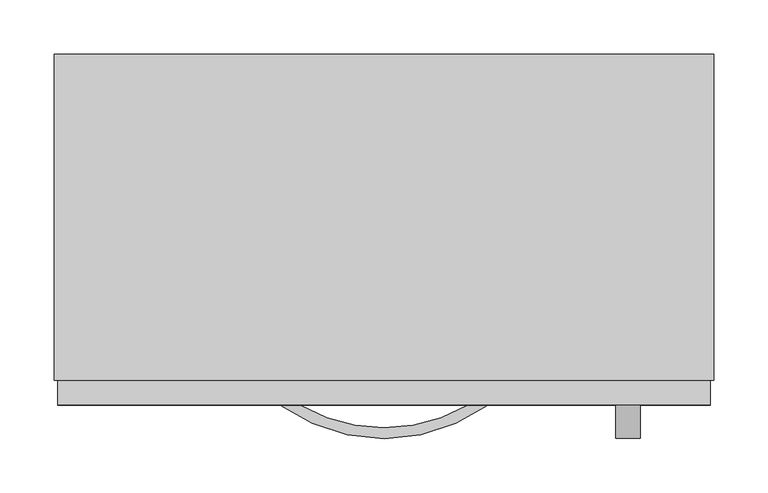
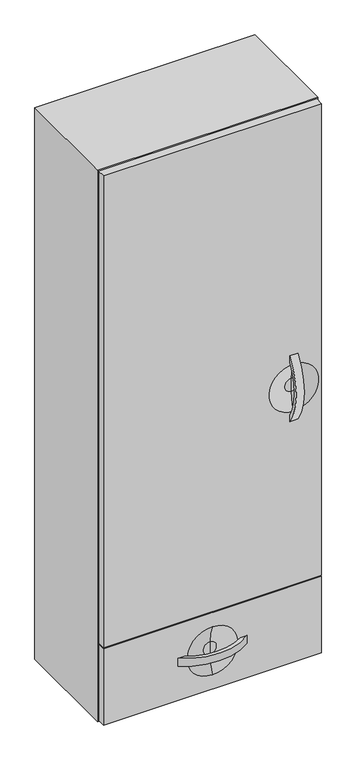
"""IFC4 building model written with IfcOpenShell, lengths in millimetres: furniture geometry."""

from ifc_helpers import new_model, si_unit, point, frame, frame_2d, origin, place, context, project, spatial, polyline, circle_curve, ellipse_curve, trimmed, segment, composite_curve, outline, extrude, source, transform, mapped, element, save
from ifc_brep_helpers import plane_surface, revolved_surface, advanced_brep


def furniture_c132ab03(model_context):
    return source(origin(), model_context, "Body", "SolidModel", [
        extrude(outline(composite_curve([segment(trimmed(circle_curve(frame_2d((-190.9255705, 1334.8035115)), 164.0076795), [point((-323.977, 1238.9085896))], [point((-323.977, 1430.6984333))], False, "CARTESIAN"), True, "CONTINUOUS"), segment(polyline([(-323.977, 1430.6984333), (-323.977, 1412.0385792)]), True, "CONTINUOUS"), segment(trimmed(circle_curve(frame_2d((-192.7296017, 1334.8051127)), 152.2855473), [point((-323.977, 1412.0385792))], [point((-323.977, 1257.5716461))], True, "CARTESIAN"), True, "CONTINUOUS"), segment(polyline([(-323.977, 1257.5716461), (-323.977, 1238.9085896)]), True, "CONTINUOUS")], self_intersect=False)), frame((233.0502049, 0.0, 0.0), z_axis=(1.0, 0.0, 0.0), x_axis=(0.0, 1.0, 0.0)), (0.0, 0.0, 1.0), 22.225),
        extrude(outline(composite_curve([segment(trimmed(circle_curve(frame_2d((18.7377049, -190.9255705)), 164.0076795), [point((114.6326268, -323.977))], [point((-77.157217, -323.977))], False, "CARTESIAN"), True, "CONTINUOUS"), segment(polyline([(-77.157217, -323.977), (-58.4973628, -323.977)]), True, "CONTINUOUS"), segment(trimmed(circle_curve(frame_2d((18.7361037, -192.7296017)), 152.2855473), [point((-58.4973628, -323.977))], [point((95.9695702, -323.977))], True, "CARTESIAN"), True, "CONTINUOUS"), segment(polyline([(95.9695702, -323.977), (114.6326268, -323.977)]), True, "CONTINUOUS")], self_intersect=False)), frame((0.0, 0.0, 632.5307728), z_axis=(0.0, 0.0, 1.0), x_axis=(1.0, 0.0, 0.0)), (0.0, 0.0, 1.0), 22.225),
        advanced_brep(
        [(-282.8872951, -301.2559062, 755.4850588), (-282.8872951, -323.977, 755.4850588), (320.3627049, -323.977, 755.4850588), (320.3627049, -301.2559062, 755.4850588), (-282.8872951, -301.2559062, 531.5942187), (320.3627049, -301.2559062, 531.5942187), (320.3627049, -323.977, 531.5942187), (-282.8872951, -323.977, 531.5942187), (18.7377049, -323.977, 573.5365682), (18.7377049, -323.977, 713.7499774), (18.7377049, -311.3273482, 624.5954892), (18.7377049, -311.3273482, 662.6910564), (18.7377049, -311.3273482, 643.6432728)],
        [
            (0, 1),
            (1, 2),
            (2, 3),
            (3, 0),
            (4, 5),
            (5, 6),
            (6, 7),
            (7, 4),
            (0, 4),
            (7, 1),
            (6, 2),
            (8, 9, circle_curve(frame((18.7377049, -323.977, 643.6432728), z_axis=(0.0, 1.0, 0.0), x_axis=(0.0, 0.0, 1.0)), 70.1067046)),
            (9, 8, circle_curve(frame((18.7377049, -323.977, 643.6432728), z_axis=(0.0, 1.0, 0.0), x_axis=(0.0, 0.0, 1.0)), 70.1067046)),
            (5, 3),
            (8, 10, circle_curve(frame((18.7377049, -446.5701093, 631.0049526), z_axis=(1.0, 0.0, 0.0), x_axis=(0.0, 1.0, 0.0)), 135.3945555)),
            (10, 11, circle_curve(frame((18.7377049, -311.3273482, 643.6432728), z_axis=(0.0, 1.0, 0.0), x_axis=(0.0, 0.0, 1.0)), 19.0477836)),
            (11, 9, circle_curve(frame((18.7377049, -446.5701093, 656.281593), z_axis=(1.0, 0.0, 0.0), x_axis=(0.0, 1.0, 0.0)), 135.3945555)),
            (11, 10, circle_curve(frame((18.7377049, -311.3273482, 643.6432728), z_axis=(0.0, 1.0, 0.0), x_axis=(0.0, 0.0, 1.0)), 19.0477836)),
            (10, 12),
            (12, 11),
        ],
        [
            plane_surface(frame((-282.8872951, -323.977, 755.4850588), z_axis=(0.0, 0.0, 1.0), x_axis=(0.0, -1.0, 0.0))),
            plane_surface(frame((-282.8872951, -323.977, 531.5942187), z_axis=(0.0, 0.0, -1.0), x_axis=(0.0, 1.0, 0.0))),
            plane_surface(frame((-282.8872951, -301.2559062, 755.4850588), z_axis=(-1.0, 0.0, 0.0), x_axis=(0.0, 0.0, -1.0))),
            plane_surface(frame((-282.8872951, -323.977, 755.4850588), z_axis=(0.0, -1.0, 0.0), x_axis=(0.0, 0.0, -1.0))),
            plane_surface(frame((320.3627049, -323.977, 755.4850588), z_axis=(1.0, 0.0, 0.0), x_axis=(0.0, 0.0, -1.0))),
            plane_surface(frame((320.3627049, -301.2559062, 755.4850588), z_axis=(0.0, 1.0, 0.0), x_axis=(0.0, 0.0, -1.0))),
            revolved_surface(trimmed(ellipse_curve(frame((18.7377049, -446.5701093, 656.281593), z_axis=(-1.0, 0.0, 0.0), x_axis=(0.0, 1.0, 0.0)), 135.3945555, 135.3945555), [point((18.7377049, -323.977, 713.7499774))], [point((18.7377049, -311.3273482, 662.6910564))], True, "CARTESIAN"), (18.7377049, -311.3273482, 643.6432728), (0.0, -1.0, 0.0)),
            plane_surface(frame((18.7377049, -311.3273482, 643.6432728), z_axis=(0.0, -1.0, 0.0), x_axis=(0.0, 0.0, 1.0))),
        ],
        [
            (0, [[1, 2, 3, 4]]),
            (1, [[5, 6, 7, 8]]),
            (2, [[-1, 9, -8, 10]]),
            (3, [[-2, -10, -7, 11], [12, 13]]),
            (4, [[-3, -11, -6, 14]]),
            (5, [[-4, -14, -5, -9]]),
            (6, [[15, 16, 17, -12]]),
            (6, [[-15, -13, -17, 18]]),
            (7, [[-16, 19, 20]]),
            (7, [[-18, -20, -19]]),
        ],
    ),
        advanced_brep(
        [(-282.8872951, -301.2559062, 2138.045), (-282.8872951, -323.977, 2138.045), (320.3627049, -323.977, 2138.045), (320.3627049, -301.2559062, 2138.045), (-282.8872951, -301.2559062, 758.7059375), (320.3627049, -301.2559062, 758.7059375), (320.3627049, -323.977, 758.7059375), (-282.8872951, -323.977, 758.7059375), (244.1627049, -323.977, 1403.3806846), (244.1627049, -323.977, 1266.2263383), (244.1627049, -311.3273482, 1315.7557279), (244.1627049, -311.3273482, 1353.851295), (244.1627049, -311.3273482, 1334.8035115)],
        [
            (0, 1),
            (1, 2),
            (2, 3),
            (3, 0),
            (4, 5),
            (5, 6),
            (6, 7),
            (7, 4),
            (0, 4),
            (7, 1),
            (6, 2),
            (8, 9, circle_curve(frame((244.1627049, -323.977, 1334.8035115), z_axis=(0.0, 1.0, 0.0), x_axis=(0.0, 0.0, 1.0)), 68.5771731)),
            (9, 8, circle_curve(frame((244.1627049, -323.977, 1334.8035115), z_axis=(0.0, 1.0, 0.0), x_axis=(0.0, 0.0, 1.0)), 68.5771731)),
            (5, 3),
            (10, 9, circle_curve(frame((244.1627049, -432.1044866, 1320.2217972), z_axis=(-1.0, 0.0, 0.0), x_axis=(0.0, -1.0, 0.0)), 120.8596829)),
            (8, 11, circle_curve(frame((244.1627049, -432.1044866, 1349.3852257), z_axis=(-1.0, 0.0, 0.0), x_axis=(0.0, -1.0, 0.0)), 120.8596829)),
            (11, 10, circle_curve(frame((244.1627049, -311.3273482, 1334.8035115), z_axis=(0.0, 1.0, 0.0), x_axis=(0.0, 0.0, 1.0)), 19.0477836)),
            (10, 11, circle_curve(frame((244.1627049, -311.3273482, 1334.8035115), z_axis=(0.0, 1.0, 0.0), x_axis=(0.0, 0.0, 1.0)), 19.0477836)),
            (11, 12),
            (12, 10),
        ],
        [
            plane_surface(frame((-282.8872951, -323.977, 2138.045), z_axis=(0.0, 0.0, 1.0), x_axis=(0.0, -1.0, 0.0))),
            plane_surface(frame((-282.8872951, -323.977, 758.7059375), z_axis=(0.0, 0.0, -1.0), x_axis=(0.0, 1.0, 0.0))),
            plane_surface(frame((-282.8872951, -301.2559062, 2138.045), z_axis=(-1.0, 0.0, 0.0), x_axis=(0.0, 0.0, -1.0))),
            plane_surface(frame((-282.8872951, -323.977, 2138.045), z_axis=(0.0, -1.0, 0.0), x_axis=(0.0, 0.0, -1.0))),
            plane_surface(frame((320.3627049, -323.977, 2138.045), z_axis=(1.0, 0.0, 0.0), x_axis=(0.0, 0.0, -1.0))),
            plane_surface(frame((320.3627049, -301.2559062, 2138.045), z_axis=(0.0, 1.0, 0.0), x_axis=(0.0, 0.0, -1.0))),
            revolved_surface(trimmed(ellipse_curve(frame((244.1627049, -432.1044866, 1349.3852257), z_axis=(1.0, 0.0, 0.0), x_axis=(0.0, -1.0, 0.0)), 120.8596829, 120.8596829), [point((244.1627049, -311.3273482, 1353.851295))], [point((244.1627049, -323.977, 1403.3806846))], True, "CARTESIAN"), (244.1627049, -311.3273482, 1334.8035115), (0.0, 1.0, 0.0)),
            plane_surface(frame((244.1627049, -311.3273482, 1334.8035115), z_axis=(0.0, -1.0, 0.0), x_axis=(0.0, 0.0, 1.0))),
        ],
        [
            (0, [[1, 2, 3, 4]]),
            (1, [[5, 6, 7, 8]]),
            (2, [[-1, 9, -8, 10]]),
            (3, [[-2, -10, -7, 11], [12, 13]]),
            (4, [[-3, -11, -6, 14]]),
            (5, [[-4, -14, -5, -9]]),
            (6, [[15, -12, 16, 17]]),
            (6, [[-15, 18, -16, -13]]),
            (7, [[-17, 19, 20]]),
            (7, [[-18, -20, -19]]),
        ],
    ),
        extrude(outline(polyline([(-286.0622951, 0.0), (323.5377049, 0.0), (323.5377049, -301.2559062), (-286.0622951, -301.2559062), (-286.0622951, 0.0)])), frame((0.0, 0.0, 528.4192187), z_axis=(0.0, 0.0, 1.0), x_axis=(1.0, 0.0, 0.0)), (0.0, 0.0, 1.0), 1612.8007813),
    ])


if __name__ == "__main__":
    model = new_model("IFC4")
    model_context = context("Model", 3, world=origin())
    ifc_project = project(units=[si_unit("LENGTHUNIT", "METRE", prefix="MILLI")], contexts=[model_context])
    site = spatial("IfcSite", under=ifc_project)
    building = spatial("IfcBuilding", under=site)
    placement = place(None, origin())
    furniture_shape = furniture_c132ab03(model_context)
    element("IfcFurniture", 1, at=placement, inside=building, context=model_context, shape_type="MappedRepresentation", body=[
        mapped(furniture_shape, transform((0.0, 0.0, 0.0), x_axis=(1.0, 0.0, 0.0), y_axis=(0.0, 1.0, 0.0), z_axis=(0.0, 0.0, 1.0))),
    ])
    save(model, "model.ifc")
